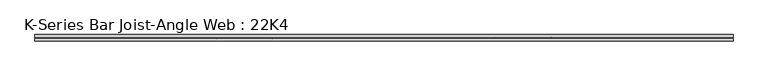
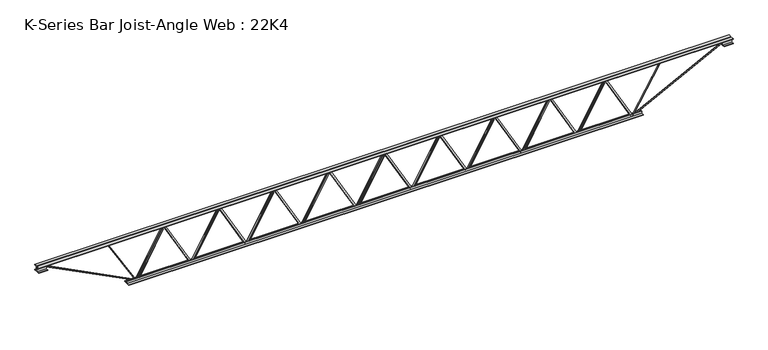
"""IFC4 building model written with IfcOpenShell, lengths in millimetres: beam geometry, K-Series Bar Joist-Angle Web : 22K4."""

from ifc_helpers import new_model, si_unit, frame, origin, place, context, project, spatial, polyline, outline, extrude, faceted_brep, source, transform, mapped, element, save


def k_series_bar_joist_angle_web_22k4_5b50d99f(model_context):
    return source(origin(), model_context, "Body", "SolidModel", [
        extrude(outline(polyline([(-4.7625, 4.7624999), (-4.7625, 0.0), (-17.4625, 0.0), (-17.4625, 4.7624999), (-4.7625, 4.7624999)])), frame((2145.9610881, 0.0, -241.3), z_axis=(-0.48817708066998255, 0.0, 0.8727446006183788), x_axis=(0.0, -1.0, 0.0)), (0.0, 0.0, 1.0), 552.9681876),
        extrude(outline(polyline([(-276.225, 2177.4326389), (-257.175, 2177.4326389), (-257.175, 2176.6685953), (276.225, 1878.3067898), (276.225, 1860.0208333), (257.175, 1860.0208333), (257.175, 1867.1348769), (-276.225, 2165.4966825), (-276.225, 2177.4326389)])), frame((0.0, 0.0, 0.0), z_axis=(0.0, 1.0, 0.0), x_axis=(0.0, 0.0, 1.0)), (0.0, 0.0, 1.0), 4.7625),
        faceted_brep([(1555.3090278, 0.0, -257.175), (1555.3090278, 0.0, -276.225), (1555.3090278, -4.7625, -276.225), (1555.3090278, -4.7625, -257.175), (1556.0730714, 0.0, -257.175), (1854.4348769, 0.0, 276.225), (1872.7208333, 0.0, 276.225), (1872.7208333, 0.0, 257.175), (1865.6067898, 0.0, 257.175), (1567.2449842, 0.0, -276.225), (1567.2449842, -4.7625, -276.225), (1586.7805786, -4.7625, -241.3), (1582.6241325, -4.7625, -238.9750567), (1852.570528, -4.7625, 243.6249433), (1856.7269741, -4.7625, 241.3), (1865.6067898, -4.7625, 257.175), (1872.7208333, -4.7625, 257.175), (1872.7208333, -4.7625, 276.225), (1854.4348769, -4.7625, 276.225), (1556.0730714, -4.7625, -257.175), (1856.7269741, -17.4625, 241.3), (1586.7805786, -17.4625, -241.3), (1582.6241325, -17.4625, -238.9750567), (1852.570528, -17.4625, 243.6249433)], [[[0, 1, 2, 3]], [[1, 0, 4, 5, 6, 7, 8, 9]], [[2, 1, 9, 10]], [[3, 2, 10, 11, 12, 13, 14, 15, 16, 17, 18, 19]], [[0, 3, 19, 4]], [[9, 8, 15, 14, 20, 21, 11, 10]], [[5, 4, 19, 18]], [[7, 6, 17, 16]], [[8, 7, 16, 15]], [[6, 5, 18, 17]], [[21, 22, 12, 11]], [[20, 14, 13, 23]], [[22, 21, 20, 23]], [[12, 22, 23, 13]]]),
        extrude(outline(polyline([(-4.7625, 4.7625), (-4.7625, 0.0), (-17.4625, 0.0), (-17.4625, 4.7625), (-4.7625, 4.7625)])), frame((1523.8374769, 0.0, -241.3), z_axis=(-0.48817708066998255, 0.0, 0.8727446006183788), x_axis=(0.0, -1.0, 0.0)), (0.0, 0.0, 1.0), 552.9681876),
        extrude(outline(polyline([(-276.225, 1555.3090278), (-257.175, 1555.3090278), (-257.175, 1554.5449842), (276.225, 1256.1831786), (276.225, 1237.8972222), (257.175, 1237.8972222), (257.175, 1245.0112658), (-276.225, 1543.3730714), (-276.225, 1555.3090278)])), frame((0.0, 0.0, 0.0), z_axis=(0.0, 1.0, 0.0), x_axis=(0.0, 0.0, 1.0)), (0.0, 0.0, 1.0), 4.7625),
        faceted_brep([(933.1854167, 0.0, -257.175), (933.1854167, 0.0, -276.225), (933.1854167, -4.7625, -276.225), (933.1854167, -4.7625, -257.175), (933.9494602, 0.0, -257.175), (1232.3112658, 0.0, 276.225), (1250.5972222, 0.0, 276.225), (1250.5972222, 0.0, 257.175), (1243.4831786, 0.0, 257.175), (945.1213731, 0.0, -276.225), (945.1213731, -4.7625, -276.225), (964.6569675, -4.7625, -241.3), (960.5005213, -4.7625, -238.9750567), (1230.4469168, -4.7625, 243.6249433), (1234.603363, -4.7625, 241.3), (1243.4831786, -4.7625, 257.175), (1250.5972222, -4.7625, 257.175), (1250.5972222, -4.7625, 276.225), (1232.3112658, -4.7625, 276.225), (933.9494602, -4.7625, -257.175), (1234.603363, -17.4625, 241.3), (964.6569675, -17.4625, -241.3), (960.5005213, -17.4625, -238.9750567), (1230.4469168, -17.4625, 243.6249433)], [[[0, 1, 2, 3]], [[1, 0, 4, 5, 6, 7, 8, 9]], [[2, 1, 9, 10]], [[3, 2, 10, 11, 12, 13, 14, 15, 16, 17, 18, 19]], [[0, 3, 19, 4]], [[9, 8, 15, 14, 20, 21, 11, 10]], [[5, 4, 19, 18]], [[7, 6, 17, 16]], [[8, 7, 16, 15]], [[6, 5, 18, 17]], [[21, 22, 12, 11]], [[20, 14, 13, 23]], [[22, 21, 20, 23]], [[12, 22, 23, 13]]]),
        extrude(outline(polyline([(-4.7625, 4.7625), (-4.7625, 0.0), (-17.4625, 0.0), (-17.4625, 4.7625), (-4.7625, 4.7625)])), frame((901.7138658, 0.0, -241.3), z_axis=(-0.48817708066998255, 0.0, 0.8727446006183788), x_axis=(0.0, -1.0, 0.0)), (0.0, 0.0, 1.0), 552.9681876),
        extrude(outline(polyline([(-276.225, 933.1854167), (-257.175, 933.1854167), (-257.175, 932.4213731), (276.225, 634.0595675), (276.225, 615.7736111), (257.175, 615.7736111), (257.175, 622.8876547), (-276.225, 921.2494602), (-276.225, 933.1854167)])), frame((0.0, 0.0, 0.0), z_axis=(0.0, 1.0, 0.0), x_axis=(0.0, 0.0, 1.0)), (0.0, 0.0, 1.0), 4.7625),
        faceted_brep([(311.0618056, 0.0, -257.175), (311.0618056, 0.0, -276.225), (311.0618056, -4.7625, -276.225), (311.0618056, -4.7625, -257.175), (311.8258491, 0.0, -257.175), (610.1876547, 0.0, 276.225), (628.4736111, 0.0, 276.225), (628.4736111, 0.0, 257.175), (621.3595675, 0.0, 257.175), (322.997762, 0.0, -276.225), (322.997762, -4.7625, -276.225), (342.5333564, -4.7625, -241.3), (338.3769102, -4.7625, -238.9750567), (608.3233057, -4.7625, 243.6249433), (612.4797519, -4.7625, 241.3), (621.3595675, -4.7625, 257.175), (628.4736111, -4.7625, 257.175), (628.4736111, -4.7625, 276.225), (610.1876547, -4.7625, 276.225), (311.8258491, -4.7625, -257.175), (612.4797519, -17.4625, 241.3), (342.5333564, -17.4625, -241.3), (338.3769102, -17.4625, -238.9750567), (608.3233057, -17.4625, 243.6249433)], [[[0, 1, 2, 3]], [[1, 0, 4, 5, 6, 7, 8, 9]], [[2, 1, 9, 10]], [[3, 2, 10, 11, 12, 13, 14, 15, 16, 17, 18, 19]], [[0, 3, 19, 4]], [[9, 8, 15, 14, 20, 21, 11, 10]], [[5, 4, 19, 18]], [[7, 6, 17, 16]], [[8, 7, 16, 15]], [[6, 5, 18, 17]], [[21, 22, 12, 11]], [[20, 14, 13, 23]], [[22, 21, 20, 23]], [[12, 22, 23, 13]]]),
        extrude(outline(polyline([(-4.7625, 4.7625), (-4.7625, 0.0), (-17.4625, 0.0), (-17.4625, 4.7625), (-4.7625, 4.7625)])), frame((279.5902547, 0.0, -241.3), z_axis=(-0.48817708066998255, 0.0, 0.8727446006183788), x_axis=(0.0, -1.0, 0.0)), (0.0, 0.0, 1.0), 552.9681876),
        extrude(outline(polyline([(-276.225, 311.0618056), (-257.175, 311.0618056), (-257.175, 310.297762), (276.225, 11.9359564), (276.225, -6.35), (257.175, -6.35), (257.175, 0.7640436), (-276.225, 299.1258491), (-276.225, 311.0618056)])), frame((0.0, 0.0, 0.0), z_axis=(0.0, 1.0, 0.0), x_axis=(0.0, 0.0, 1.0)), (0.0, 0.0, 1.0), 4.7625),
        faceted_brep([(-311.0618056, 0.0, -257.175), (-311.0618056, 0.0, -276.225), (-311.0618056, -4.7625, -276.225), (-311.0618056, -4.7625, -257.175), (-310.297762, 0.0, -257.175), (-11.9359564, 0.0, 276.225), (6.35, 0.0, 276.225), (6.35, 0.0, 257.175), (-0.7640436, 0.0, 257.175), (-299.1258491, 0.0, -276.225), (-299.1258491, -4.7625, -276.225), (-279.5902547, -4.7625, -241.3), (-283.7467009, -4.7625, -238.9750567), (-13.8003054, -4.7625, 243.6249433), (-9.6438592, -4.7625, 241.3), (-0.7640436, -4.7625, 257.175), (6.35, -4.7625, 257.175), (6.35, -4.7625, 276.225), (-11.9359564, -4.7625, 276.225), (-310.297762, -4.7625, -257.175), (-9.6438592, -17.4625, 241.3), (-279.5902547, -17.4625, -241.3), (-283.7467009, -17.4625, -238.9750567), (-13.8003054, -17.4625, 243.6249433)], [[[0, 1, 2, 3]], [[1, 0, 4, 5, 6, 7, 8, 9]], [[2, 1, 9, 10]], [[3, 2, 10, 11, 12, 13, 14, 15, 16, 17, 18, 19]], [[0, 3, 19, 4]], [[9, 8, 15, 14, 20, 21, 11, 10]], [[5, 4, 19, 18]], [[7, 6, 17, 16]], [[8, 7, 16, 15]], [[6, 5, 18, 17]], [[21, 22, 12, 11]], [[20, 14, 13, 23]], [[22, 21, 20, 23]], [[12, 22, 23, 13]]]),
        extrude(outline(polyline([(-4.7625, 4.7625), (-4.7625, 0.0), (-17.4625, 0.0), (-17.4625, 4.7625), (-4.7625, 4.7625)])), frame((-342.5333564, 0.0, -241.3), z_axis=(-0.48817708066998255, 0.0, 0.8727446006183788), x_axis=(0.0, -1.0, 0.0)), (0.0, 0.0, 1.0), 552.9681876),
        extrude(outline(polyline([(-276.225, -311.0618056), (-257.175, -311.0618056), (-257.175, -311.8258491), (276.225, -610.1876547), (276.225, -628.4736111), (257.175, -628.4736111), (257.175, -621.3595675), (-276.225, -322.997762), (-276.225, -311.0618056)])), frame((0.0, 0.0, 0.0), z_axis=(0.0, 1.0, 0.0), x_axis=(0.0, 0.0, 1.0)), (0.0, 0.0, 1.0), 4.7625),
        faceted_brep([(-933.1854167, 0.0, -257.175), (-933.1854167, 0.0, -276.225), (-933.1854167, -4.7625, -276.225), (-933.1854167, -4.7625, -257.175), (-932.4213731, 0.0, -257.175), (-634.0595675, 0.0, 276.225), (-615.7736111, 0.0, 276.225), (-615.7736111, 0.0, 257.175), (-622.8876547, 0.0, 257.175), (-921.2494602, 0.0, -276.225), (-921.2494602, -4.7625, -276.225), (-901.7138658, -4.7625, -241.3), (-905.870312, -4.7625, -238.9750567), (-635.9239165, -4.7625, 243.6249433), (-631.7674703, -4.7625, 241.3), (-622.8876547, -4.7625, 257.175), (-615.7736111, -4.7625, 257.175), (-615.7736111, -4.7625, 276.225), (-634.0595675, -4.7625, 276.225), (-932.4213731, -4.7625, -257.175), (-631.7674703, -17.4625, 241.3), (-901.7138658, -17.4625, -241.3), (-905.870312, -17.4625, -238.9750567), (-635.9239165, -17.4625, 243.6249433)], [[[0, 1, 2, 3]], [[1, 0, 4, 5, 6, 7, 8, 9]], [[2, 1, 9, 10]], [[3, 2, 10, 11, 12, 13, 14, 15, 16, 17, 18, 19]], [[0, 3, 19, 4]], [[9, 8, 15, 14, 20, 21, 11, 10]], [[5, 4, 19, 18]], [[7, 6, 17, 16]], [[8, 7, 16, 15]], [[6, 5, 18, 17]], [[21, 22, 12, 11]], [[20, 14, 13, 23]], [[22, 21, 20, 23]], [[12, 22, 23, 13]]]),
        extrude(outline(polyline([(-4.7625, 4.7625), (-4.7625, 0.0), (-17.4625, 0.0), (-17.4625, 4.7625), (-4.7625, 4.7625)])), frame((-964.6569675, 0.0, -241.3), z_axis=(-0.48817708066998255, 0.0, 0.8727446006183788), x_axis=(0.0, -1.0, 0.0)), (0.0, 0.0, 1.0), 552.9681876),
        extrude(outline(polyline([(-276.225, -933.1854167), (-257.175, -933.1854167), (-257.175, -933.9494602), (276.225, -1232.3112658), (276.225, -1250.5972222), (257.175, -1250.5972222), (257.175, -1243.4831786), (-276.225, -945.1213731), (-276.225, -933.1854167)])), frame((0.0, 0.0, 0.0), z_axis=(0.0, 1.0, 0.0), x_axis=(0.0, 0.0, 1.0)), (0.0, 0.0, 1.0), 4.7625),
        faceted_brep([(-1555.3090278, 0.0, -257.175), (-1555.3090278, 0.0, -276.225), (-1555.3090278, -4.7625, -276.225), (-1555.3090278, -4.7625, -257.175), (-1554.5449842, 0.0, -257.175), (-1256.1831786, 0.0, 276.225), (-1237.8972222, 0.0, 276.225), (-1237.8972222, 0.0, 257.175), (-1245.0112658, 0.0, 257.175), (-1543.3730714, 0.0, -276.225), (-1543.3730714, -4.7625, -276.225), (-1523.8374769, -4.7625, -241.3), (-1527.9939231, -4.7625, -238.9750567), (-1258.0475276, -4.7625, 243.6249433), (-1253.8910814, -4.7625, 241.3), (-1245.0112658, -4.7625, 257.175), (-1237.8972222, -4.7625, 257.175), (-1237.8972222, -4.7625, 276.225), (-1256.1831786, -4.7625, 276.225), (-1554.5449842, -4.7625, -257.175), (-1253.8910814, -17.4625, 241.3), (-1523.8374769, -17.4625, -241.3), (-1527.9939231, -17.4625, -238.9750567), (-1258.0475276, -17.4625, 243.6249433)], [[[0, 1, 2, 3]], [[1, 0, 4, 5, 6, 7, 8, 9]], [[2, 1, 9, 10]], [[3, 2, 10, 11, 12, 13, 14, 15, 16, 17, 18, 19]], [[0, 3, 19, 4]], [[9, 8, 15, 14, 20, 21, 11, 10]], [[5, 4, 19, 18]], [[7, 6, 17, 16]], [[8, 7, 16, 15]], [[6, 5, 18, 17]], [[21, 22, 12, 11]], [[20, 14, 13, 23]], [[22, 21, 20, 23]], [[12, 22, 23, 13]]]),
        extrude(outline(polyline([(-4.7625, 4.7624999), (-4.7625, 0.0), (-17.4625, 0.0), (-17.4625, 4.7624999), (-4.7625, 4.7624999)])), frame((-1586.7805786, 0.0, -241.3), z_axis=(-0.48817708066998255, 0.0, 0.8727446006183788), x_axis=(0.0, -1.0, 0.0)), (0.0, 0.0, 1.0), 552.9681876),
        extrude(outline(polyline([(-276.225, -1555.3090278), (-257.175, -1555.3090278), (-257.175, -1556.0730714), (276.225, -1854.4348769), (276.225, -1872.7208333), (257.175, -1872.7208333), (257.175, -1865.6067898), (-276.225, -1567.2449842), (-276.225, -1555.3090278)])), frame((0.0, 0.0, 0.0), z_axis=(0.0, 1.0, 0.0), x_axis=(0.0, 0.0, 1.0)), (0.0, 0.0, 1.0), 4.7625),
        faceted_brep([(-2177.4326389, 0.0, -257.175), (-2177.4326389, 0.0, -276.225), (-2177.4326389, -4.7625, -276.225), (-2177.4326389, -4.7625, -257.175), (-2176.6685953, 0.0, -257.175), (-1878.3067898, 0.0, 276.225), (-1860.0208333, 0.0, 276.225), (-1860.0208333, 0.0, 257.175), (-1867.1348769, 0.0, 257.175), (-2165.4966825, 0.0, -276.225), (-2165.4966825, -4.7625, -276.225), (-2145.9610881, -4.7625, -241.3), (-2150.1175342, -4.7625, -238.9750567), (-1880.1711387, -4.7625, 243.6249433), (-1876.0146926, -4.7625, 241.3), (-1867.1348769, -4.7625, 257.175), (-1860.0208333, -4.7625, 257.175), (-1860.0208333, -4.7625, 276.225), (-1878.3067898, -4.7625, 276.225), (-2176.6685953, -4.7625, -257.175), (-1876.0146926, -17.4625, 241.3), (-2145.9610881, -17.4625, -241.3), (-2150.1175342, -17.4625, -238.9750567), (-1880.1711387, -17.4625, 243.6249433)], [[[0, 1, 2, 3]], [[1, 0, 4, 5, 6, 7, 8, 9]], [[2, 1, 9, 10]], [[3, 2, 10, 11, 12, 13, 14, 15, 16, 17, 18, 19]], [[0, 3, 19, 4]], [[9, 8, 15, 14, 20, 21, 11, 10]], [[5, 4, 19, 18]], [[7, 6, 17, 16]], [[8, 7, 16, 15]], [[6, 5, 18, 17]], [[21, 22, 12, 11]], [[20, 14, 13, 23]], [[22, 21, 20, 23]], [[12, 22, 23, 13]]]),
        extrude(outline(polyline([(-4.7625, 4.7624999), (-4.7625, 0.0), (-17.4625, 0.0), (-17.4625, 4.7624999), (-4.7625, 4.7624999)])), frame((2768.0846992, 0.0, -241.3), z_axis=(-0.48817708066998255, 0.0, 0.8727446006183788), x_axis=(0.0, -1.0, 0.0)), (0.0, 0.0, 1.0), 552.9681876),
        extrude(outline(polyline([(-276.225, 2799.55625), (-257.175, 2799.55625), (-257.175, 2798.7922064), (276.225, 2500.4304009), (276.225, 2482.1444444), (257.175, 2482.1444444), (257.175, 2489.258488), (-276.225, 2787.6202936), (-276.225, 2799.55625)])), frame((0.0, 0.0, 0.0), z_axis=(0.0, 1.0, 0.0), x_axis=(0.0, 0.0, 1.0)), (0.0, 0.0, 1.0), 4.7625),
        faceted_brep([(2177.4326389, 0.0, -257.175), (2177.4326389, 0.0, -276.225), (2177.4326389, -4.7625, -276.225), (2177.4326389, -4.7625, -257.175), (2178.1966825, 0.0, -257.175), (2476.558488, 0.0, 276.225), (2494.8444444, 0.0, 276.225), (2494.8444444, 0.0, 257.175), (2487.7304009, 0.0, 257.175), (2189.3685953, 0.0, -276.225), (2189.3685953, -4.7625, -276.225), (2208.9041897, -4.7625, -241.3), (2204.7477436, -4.7625, -238.9750567), (2474.6941391, -4.7625, 243.6249433), (2478.8505852, -4.7625, 241.3), (2487.7304009, -4.7625, 257.175), (2494.8444444, -4.7625, 257.175), (2494.8444444, -4.7625, 276.225), (2476.558488, -4.7625, 276.225), (2178.1966825, -4.7625, -257.175), (2478.8505852, -17.4625, 241.3), (2208.9041897, -17.4625, -241.3), (2204.7477436, -17.4625, -238.9750567), (2474.6941391, -17.4625, 243.6249433)], [[[0, 1, 2, 3]], [[1, 0, 4, 5, 6, 7, 8, 9]], [[2, 1, 9, 10]], [[3, 2, 10, 11, 12, 13, 14, 15, 16, 17, 18, 19]], [[0, 3, 19, 4]], [[9, 8, 15, 14, 20, 21, 11, 10]], [[5, 4, 19, 18]], [[7, 6, 17, 16]], [[8, 7, 16, 15]], [[6, 5, 18, 17]], [[21, 22, 12, 11]], [[20, 14, 13, 23]], [[22, 21, 20, 23]], [[12, 22, 23, 13]]]),
        extrude(outline(polyline([(-4.7625, 4.7624999), (-4.7625, 0.0), (-17.4625, 0.0), (-17.4625, 4.7624999), (-4.7625, 4.7624999)])), frame((-2208.9041897, 0.0, -241.3), z_axis=(-0.48817708066998255, 0.0, 0.8727446006183788), x_axis=(0.0, -1.0, 0.0)), (0.0, 0.0, 1.0), 552.9681876),
        extrude(outline(polyline([(-276.225, -2177.4326389), (-257.175, -2177.4326389), (-257.175, -2178.1966825), (276.225, -2476.558488), (276.225, -2494.8444444), (257.175, -2494.8444444), (257.175, -2487.7304009), (-276.225, -2189.3685953), (-276.225, -2177.4326389)])), frame((0.0, 0.0, 0.0), z_axis=(0.0, 1.0, 0.0), x_axis=(0.0, 0.0, 1.0)), (0.0, 0.0, 1.0), 4.7625),
        faceted_brep([(-2799.55625, 0.0, -257.175), (-2799.55625, 0.0, -276.225), (-2799.55625, -4.7625, -276.225), (-2799.55625, -4.7625, -257.175), (-2798.7922064, 0.0, -257.175), (-2500.4304009, 0.0, 276.225), (-2482.1444444, 0.0, 276.225), (-2482.1444444, 0.0, 257.175), (-2489.258488, 0.0, 257.175), (-2787.6202936, 0.0, -276.225), (-2787.6202936, -4.7625, -276.225), (-2768.0846992, -4.7625, -241.3), (-2772.2411453, -4.7625, -238.9750567), (-2502.2947498, -4.7625, 243.6249433), (-2498.1383037, -4.7625, 241.3), (-2489.258488, -4.7625, 257.175), (-2482.1444444, -4.7625, 257.175), (-2482.1444444, -4.7625, 276.225), (-2500.4304009, -4.7625, 276.225), (-2798.7922064, -4.7625, -257.175), (-2498.1383037, -17.4625, 241.3), (-2768.0846992, -17.4625, -241.3), (-2772.2411453, -17.4625, -238.9750567), (-2502.2947498, -17.4625, 243.6249433)], [[[0, 1, 2, 3]], [[1, 0, 4, 5, 6, 7, 8, 9]], [[2, 1, 9, 10]], [[3, 2, 10, 11, 12, 13, 14, 15, 16, 17, 18, 19]], [[0, 3, 19, 4]], [[9, 8, 15, 14, 20, 21, 11, 10]], [[5, 4, 19, 18]], [[7, 6, 17, 16]], [[8, 7, 16, 15]], [[6, 5, 18, 17]], [[21, 22, 12, 11]], [[20, 14, 13, 23]], [[22, 21, 20, 23]], [[12, 22, 23, 13]]]),
        extrude(outline(polyline([(4.7625, 279.4), (36.5125, 279.4), (36.5125, 273.05), (11.1125, 273.05), (11.1125, 247.65), (4.7625, 247.65), (4.7625, 279.4)])), frame((-3917.15625, 0.0, 0.0), z_axis=(1.0, 0.0, 0.0), x_axis=(0.0, 1.0, 0.0)), (0.0, 0.0, 1.0), 7834.3125),
        extrude(outline(polyline([(-4.7625, 279.4), (-4.7625, 247.65), (-11.1125, 247.65), (-11.1125, 273.05), (-36.5125, 273.05), (-36.5125, 279.4), (-4.7625, 279.4)])), frame((-3917.15625, 0.0, 0.0), z_axis=(1.0, 0.0, 0.0), x_axis=(0.0, 1.0, 0.0)), (0.0, 0.0, 1.0), 7834.3125),
        extrude(outline(polyline([(-4.7625, 215.9), (-36.5125, 215.9), (-36.5125, 222.25), (-11.1125, 222.25), (-11.1125, 247.65), (-4.7625, 247.65), (-4.7625, 215.9)])), frame((-3917.15625, 0.0, 0.0), z_axis=(1.0, 0.0, 0.0), x_axis=(0.0, 1.0, 0.0)), (0.0, 0.0, 1.0), 101.6),
        extrude(outline(polyline([(36.5125, 215.9), (4.7625, 215.9), (4.7625, 247.65), (11.1125, 247.65), (11.1125, 222.25), (36.5125, 222.25), (36.5125, 215.9)])), frame((-3917.15625, 0.0, 0.0), z_axis=(1.0, 0.0, 0.0), x_axis=(0.0, 1.0, 0.0)), (0.0, 0.0, 1.0), 101.6),
        extrude(outline(polyline([(4.7625, 215.9), (4.7625, 247.65), (11.1125, 247.65), (11.1125, 222.25), (36.5125, 222.25), (36.5125, 215.9), (4.7625, 215.9)])), frame((3815.55625, 0.0, 0.0), z_axis=(1.0, 0.0, 0.0), x_axis=(0.0, 1.0, 0.0)), (0.0, 0.0, 1.0), 101.6),
        extrude(outline(polyline([(-4.7625, 215.9), (-36.5125, 215.9), (-36.5125, 222.25), (-11.1125, 222.25), (-11.1125, 247.65), (-4.7625, 247.65), (-4.7625, 215.9)])), frame((3815.55625, 0.0, 0.0), z_axis=(1.0, 0.0, 0.0), x_axis=(0.0, 1.0, 0.0)), (0.0, 0.0, 1.0), 101.6),
        extrude(outline(polyline([(4.7625, -279.4), (4.7625, -247.65), (11.1125, -247.65), (11.1125, -273.05), (36.5125, -273.05), (36.5125, -279.4), (4.7625, -279.4)])), frame((-2901.15625, 0.0, 0.0), z_axis=(1.0, 0.0, 0.0), x_axis=(0.0, 1.0, 0.0)), (0.0, 0.0, 1.0), 5802.3125),
        extrude(outline(polyline([(-4.7625, -279.4), (-36.5125, -279.4), (-36.5125, -273.05), (-11.1125, -273.05), (-11.1125, -247.65), (-4.7625, -247.65), (-4.7625, -279.4)])), frame((-2901.15625, 0.0, 0.0), z_axis=(1.0, 0.0, 0.0), x_axis=(0.0, 1.0, 0.0)), (0.0, 0.0, 1.0), 5802.3125),
        extrude(outline(polyline([(4.7625, 4.7625), (4.7625, -4.7625), (-4.7625, -4.7625), (-4.7625, 4.7625), (4.7625, 4.7625)])), frame((2799.55625, 0.0, -273.05), z_axis=(0.5128482935694444, 0.0, 0.8584792529717354), x_axis=(0.0, -1.0, 0.0)), (0.0, 0.0, 1.0), 606.5376632),
        extrude(outline(polyline([(4.7625, 4.7625), (4.7625, -4.7625), (-4.7625, -4.7625), (-4.7625, 4.7625), (4.7625, 4.7625)])), frame((-2799.55625, 0.0, -273.05), z_axis=(-0.512848293569421, 0.0, 0.8584792529717494), x_axis=(0.0, -1.0, 0.0)), (0.0, 0.0, 1.0), 606.5376632),
        extrude(outline(polyline([(0.0, -9.525), (0.0, 0.0), (1141.6586574, 0.0), (1141.6586574, -9.525), (0.0, -9.525)])), frame((3817.7283824, -4.7625, 243.4116929), z_axis=(-0.4560907909100909, 0.0, 0.8899332505570335), x_axis=(-0.8899332505570335, 0.0, -0.4560907909100909)), (0.0, 0.0, 1.0), 9.525),
        extrude(outline(polyline([(0.0, -9.525), (0.0, 0.0), (1141.6586574, 0.0), (1141.6586574, -9.525), (0.0, -9.525)])), frame((-3817.7283824, 4.7625, 243.4116929), z_axis=(0.4560907909100894, 0.0, 0.8899332505570343), x_axis=(0.8899332505570343, 0.0, -0.4560907909100894)), (0.0, 0.0, 1.0), 9.525),
    ])


if __name__ == "__main__":
    model = new_model("IFC4")
    model_context = context("Model", 3, world=origin())
    ifc_project = project(units=[si_unit("LENGTHUNIT", "METRE", prefix="MILLI")], contexts=[model_context])
    site = spatial("IfcSite", under=ifc_project)
    building = spatial("IfcBuilding", under=site)
    placement = place(None, origin())
    k_series_bar_joist_angle_web_22k4_shape = k_series_bar_joist_angle_web_22k4_5b50d99f(model_context)
    element("IfcBeam", 1, ObjectType="K-Series Bar Joist-Angle Web : 22K4", at=placement, inside=building, context=model_context, shape_type="MappedRepresentation", body=[
        mapped(k_series_bar_joist_angle_web_22k4_shape, transform((0.0, 0.0, 0.0), x_axis=(1.0, 0.0, 0.0), y_axis=(0.0, 1.0, 0.0), z_axis=(0.0, 0.0, 1.0))),
    ])
    save(model, "model.ifc")
